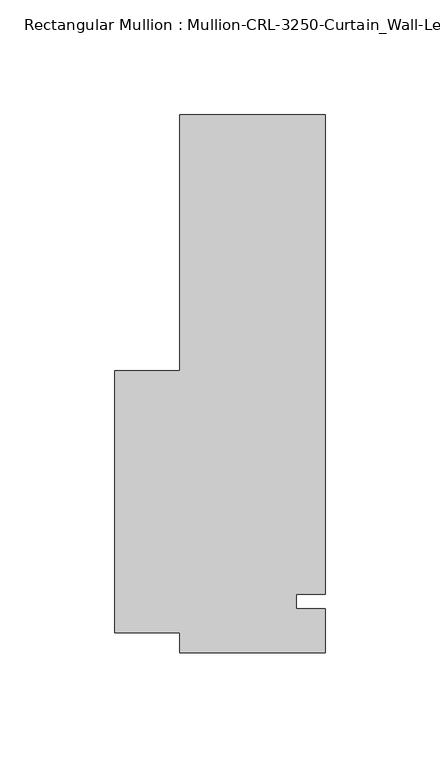
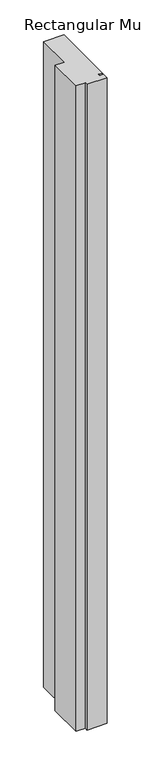
"""IFC4 building model written with IfcOpenShell, lengths in millimetres: member geometry."""

from ifc_helpers import new_model, si_unit, frame, origin, place, context, project, spatial, polyline, outline, extrude, source, transform, mapped, element, save


def member_eb43d40e(model_context):
    return source(origin(), model_context, "Body", "SweptSolid", [
        extrude(outline(polyline([(31.7499985, -3.175), (31.7499985, -22.2254168), (-31.7499985, -22.2254168), (-31.7499985, -13.4880538), (-60.326855, -13.4880538), (-60.326855, 100.8118372), (-31.7499985, 100.8118372), (-31.7499985, 212.7246169), (31.7499985, 212.7246169), (31.7499985, 3.175), (19.0499985, 3.175), (19.0499985, -3.175), (31.7499985, -3.175)])), frame((0.0, 0.0, -2146.3000015), z_axis=(0.0, 0.0, 1.0), x_axis=(1.0, 0.0, 0.0)), (0.0, 0.0, 1.0), 2146.3000015),
    ])


if __name__ == "__main__":
    model = new_model("IFC4")
    model_context = context("Model", 3, world=origin())
    ifc_project = project(units=[si_unit("LENGTHUNIT", "METRE", prefix="MILLI")], contexts=[model_context])
    site = spatial("IfcSite", under=ifc_project)
    building = spatial("IfcBuilding", under=site)
    placement = place(None, origin())
    member_shape = member_eb43d40e(model_context)
    element("IfcMember", 1, ObjectType="Rectangular Mullion : Mullion-CRL-3250-Curtain_Wall-Left_Door_Jamb-8\"", at=placement, inside=building, context=model_context, shape_type="MappedRepresentation", body=[
        mapped(member_shape, transform((0.0, 0.0, 0.0), x_axis=(1.0, 0.0, 0.0), y_axis=(0.0, 1.0, 0.0), z_axis=(0.0, 0.0, 1.0))),
    ])
    save(model, "model.ifc")
